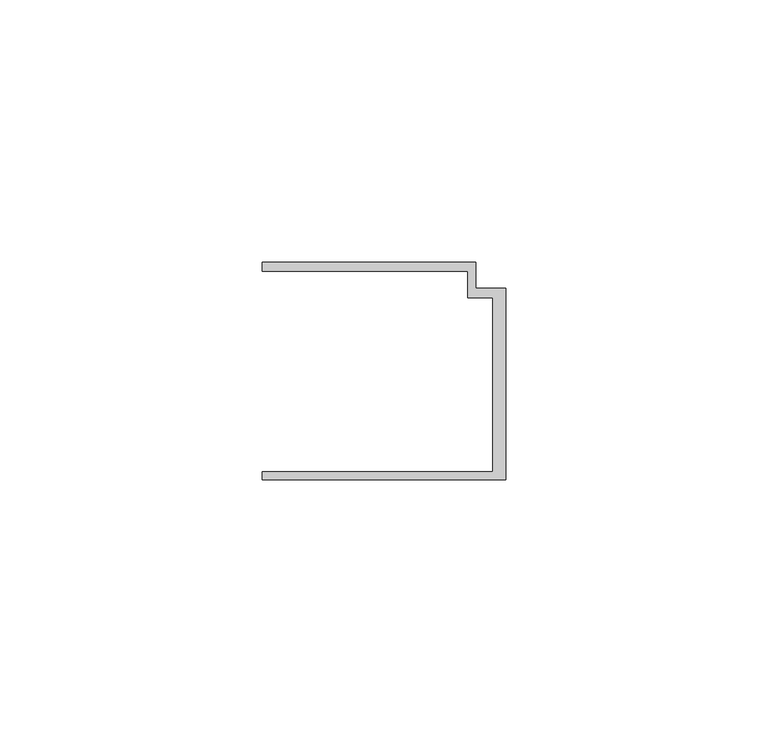
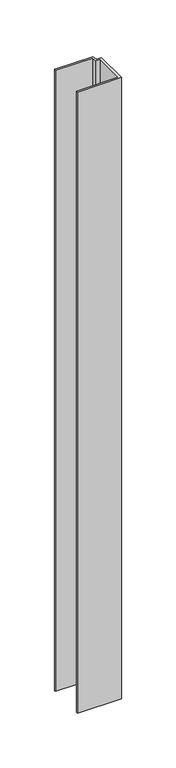
"""IFC4 building model written with IfcOpenShell, lengths in millimetres: member geometry."""

from ifc_helpers import new_model, si_unit, frame, origin, place, context, project, spatial, polyline, outline, extrude, source, transform, mapped, element, save


def member_953d4000(model_context):
    return source(origin(), model_context, "Body", "SweptSolid", [
        extrude(outline(polyline([(-46.3, -19.2), (-2.4, -19.2), (-2.4, 14.0), (-7.2, 14.0), (-7.2, 19.0), (-46.3, 19.0), (-46.3, 20.7), (-5.6999992, 20.7), (-5.6999992, 15.8), (0.0, 15.8), (0.0, -20.7), (-46.3, -20.7), (-46.3, -19.2)])), frame((0.0, 0.0, -690.9811064), z_axis=(0.0, 0.0, 1.0), x_axis=(1.0, 0.0, 0.0)), (0.0, 0.0, 1.0), 690.9811064),
    ])


if __name__ == "__main__":
    model = new_model("IFC4")
    model_context = context("Model", 3, world=origin())
    ifc_project = project(units=[si_unit("LENGTHUNIT", "METRE", prefix="MILLI")], contexts=[model_context])
    site = spatial("IfcSite", under=ifc_project)
    building = spatial("IfcBuilding", under=site)
    placement = place(None, origin())
    member_shape = member_953d4000(model_context)
    element("IfcMember", 1, at=placement, inside=building, context=model_context, shape_type="MappedRepresentation", body=[
        mapped(member_shape, transform((0.0, 0.0, 0.0), x_axis=(1.0, 0.0, 0.0), y_axis=(0.0, 1.0, 0.0), z_axis=(0.0, 0.0, 1.0))),
    ])
    save(model, "model.ifc")
